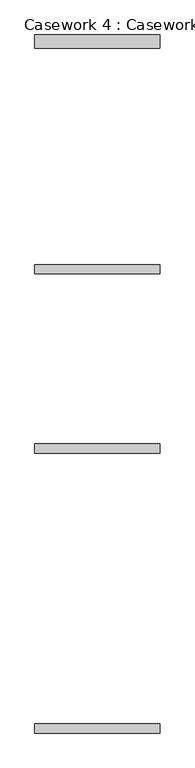
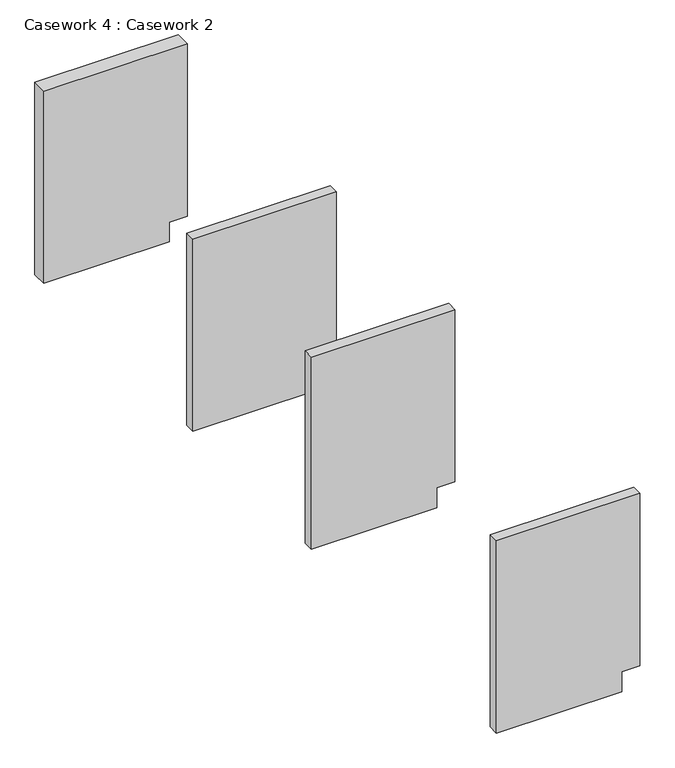
"""IFC4 building model written with IfcOpenShell, lengths in millimetres: furniture geometry, Casework 4 : Casework 2."""

from ifc_helpers import new_model, si_unit, frame, origin, place, context, project, spatial, polyline, outline, extrude, source, transform, mapped, element, save


def casework_4_casework_2_f1fcf2be(model_context):
    return source(origin(), model_context, "Body", "SweptSolid", [
        extrude(outline(polyline([(0.0, 214903.7713065), (88.9, 214903.7713065), (88.9, 214979.9713065), (863.6, 214979.9713065), (863.6, 214370.3713065), (0.0, 214370.3713065), (0.0, 214903.7713065)])), frame((0.0, -262613.712228, 0.0), z_axis=(0.0, 1.0, 0.0), x_axis=(0.0, 0.0, 1.0)), (0.0, 0.0, 1.0), 45.1667057),
        extrude(outline(polyline([(0.0, 214903.7713065), (88.9, 214903.7713065), (88.9, 214979.9713065), (863.6, 214979.9713065), (863.6, 214370.3713065), (0.0, 214370.3713065), (0.0, 214903.7713065)])), frame((0.0, -261250.7935437, 0.0), z_axis=(0.0, 1.0, 0.0), x_axis=(0.0, 0.0, 1.0)), (0.0, 0.0, 1.0), 45.1667057),
        extrude(outline(polyline([(0.0, 214903.7713065), (88.9, 214903.7713065), (88.9, 214979.9713065), (863.6, 214979.9713065), (863.6, 214370.3713065), (0.0, 214370.3713065), (0.0, 214903.7713065)])), frame((0.0, -260378.512228, 0.0), z_axis=(0.0, 1.0, 0.0), x_axis=(0.0, 0.0, 1.0)), (0.0, 0.0, 1.0), 45.1667057),
        extrude(outline(polyline([(0.0, 214903.7713065), (88.9, 214903.7713065), (88.9, 214979.9713065), (863.6, 214979.9713065), (863.6, 214370.3713065), (0.0, 214370.3713065), (0.0, 214903.7713065)])), frame((0.0, -259280.7060437, 0.0), z_axis=(0.0, 1.0, 0.0), x_axis=(0.0, 0.0, 1.0)), (0.0, 0.0, 1.0), 64.9605213),
    ])


if __name__ == "__main__":
    model = new_model("IFC4")
    model_context = context("Model", 3, world=origin())
    ifc_project = project(units=[si_unit("LENGTHUNIT", "METRE", prefix="MILLI")], contexts=[model_context])
    site = spatial("IfcSite", under=ifc_project)
    building = spatial("IfcBuilding", under=site)
    placement = place(None, origin())
    casework_4_casework_2_shape = casework_4_casework_2_f1fcf2be(model_context)
    element("IfcFurniture", 1, ObjectType="Casework 4 : Casework 2", at=placement, inside=building, context=model_context, shape_type="MappedRepresentation", body=[
        mapped(casework_4_casework_2_shape, transform((0.0, 0.0, 0.0), x_axis=(1.0, 0.0, 0.0), y_axis=(0.0, 1.0, 0.0), z_axis=(0.0, 0.0, 1.0))),
    ])
    save(model, "model.ifc")
